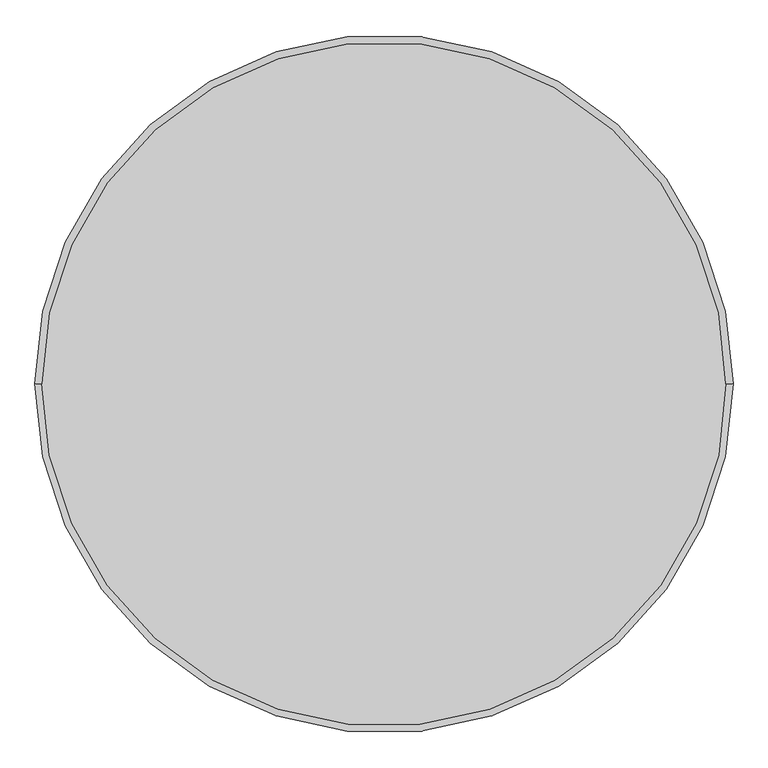
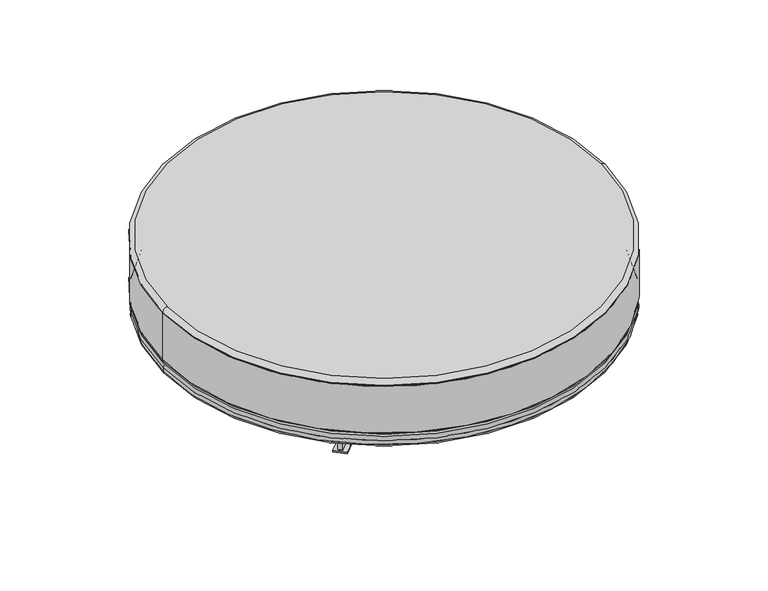
"""IFC4 building model written with IfcOpenShell, lengths in millimetres: furniture geometry."""

from ifc_helpers import new_model, si_unit, point, frame, frame_2d, origin, origin_with_axes, place, context, project, spatial, polyline, circle_curve, ellipse_curve, trimmed, segment, composite_curve, outline, extrude, source, transform, mapped, element, save
from ifc_brep_helpers import plane_surface, cylinder_surface, revolved_surface, advanced_brep


def furniture_8adcc388(model_context):
    return source(origin(), model_context, "Body", "SolidModel", [
        advanced_brep(
        [(608.5480441, 0.0, 197.3364528), (-608.5480441, 0.0, 197.3364528), (-608.5480441, 0.0, 199.9545565), (608.5480441, 0.0, 199.9545565), (596.2115913, 0.0, 185.0), (-596.2115913, 0.0, 185.0), (-608.5480441, 0.0, 336.2041477), (608.5480441, 0.0, 336.2041477), (608.5480441, 0.0, 338.8222514), (-608.5480441, 0.0, 338.8222514), (-596.2115913, 0.0, 351.1587042), (596.2115913, 0.0, 351.1587042)],
        [
            (0, 1, circle_curve(frame((0.0, 0.0, 197.3364528), z_axis=(0.0, 0.0, 1.0), x_axis=(-1.0, 0.0, 0.0)), 608.5480441)),
            (1, 2),
            (2, 3, circle_curve(frame((0.0, 0.0, 199.9545565), z_axis=(0.0, 0.0, -1.0), x_axis=(-1.0, 0.0, 0.0)), 608.5480441)),
            (3, 0),
            (0, 4, circle_curve(frame((596.2115913, 0.0, 197.3364528), z_axis=(0.0, 1.0, 0.0), x_axis=(-1.0, 0.0, 0.0)), 12.3364528)),
            (4, 5, circle_curve(frame((0.0, 0.0, 185.0), z_axis=(0.0, 0.0, 1.0), x_axis=(-1.0, 0.0, 0.0)), 596.2115913)),
            (5, 1, circle_curve(frame((-596.2115913, 0.0, 197.3364528), z_axis=(0.0, 1.0, 0.0), x_axis=(1.0, 0.0, 0.0)), 12.3364528)),
            (1, 0, circle_curve(frame((0.0, 0.0, 197.3364528), z_axis=(0.0, 0.0, 1.0), x_axis=(1.0, 0.0, 0.0)), 608.5480441)),
            (3, 2, circle_curve(frame((0.0, 0.0, 199.9545565), z_axis=(0.0, 0.0, -1.0), x_axis=(1.0, 0.0, 0.0)), 608.5480441)),
            (5, 4, circle_curve(frame((0.0, 0.0, 185.0), z_axis=(0.0, 0.0, 1.0), x_axis=(1.0, 0.0, 0.0)), 596.2115913)),
            (6, 2),
            (3, 7),
            (7, 6, circle_curve(frame((0.0, 0.0, 336.2041477), z_axis=(0.0, 0.0, -1.0), x_axis=(1.0, 0.0, 0.0)), 608.5480441)),
            (6, 7, circle_curve(frame((0.0, 0.0, 336.2041477), z_axis=(0.0, 0.0, -1.0), x_axis=(-1.0, 0.0, 0.0)), 608.5480441)),
            (8, 9, circle_curve(frame((0.0, 0.0, 338.8222514), z_axis=(0.0, 0.0, 1.0), x_axis=(-1.0, 0.0, 0.0)), 608.5480441)),
            (9, 10, circle_curve(frame((-596.2115913, 0.0, 338.8222514), z_axis=(0.0, 1.0, 0.0), x_axis=(1.0, 0.0, 0.0)), 12.3364528)),
            (10, 11, circle_curve(frame((0.0, 0.0, 351.1587042), z_axis=(0.0, 0.0, -1.0), x_axis=(-1.0, 0.0, 0.0)), 596.2115913)),
            (11, 8, circle_curve(frame((596.2115913, 0.0, 338.8222514), z_axis=(0.0, 1.0, 0.0), x_axis=(-1.0, 0.0, 0.0)), 12.3364528)),
            (8, 7),
            (6, 9),
            (10, 11, circle_curve(frame((0.0, 0.0, 351.1587042), z_axis=(0.0, 0.0, 1.0), x_axis=(1.0, 0.0, 0.0)), 596.2115913)),
            (9, 8, circle_curve(frame((0.0, 0.0, 338.8222514), z_axis=(0.0, 0.0, 1.0), x_axis=(1.0, 0.0, 0.0)), 608.5480441)),
        ],
        [
            cylinder_surface(frame((0.0, 0.0, 185.0), z_axis=(0.0, 0.0, -1.0), x_axis=(-1.0, 0.0, 0.0)), 608.5480441),
            revolved_surface(trimmed(ellipse_curve(frame((-596.2115913, 0.0, 197.3364528), z_axis=(0.0, -1.0, 0.0), x_axis=(1.0, 0.0, 0.0)), 12.3364528, 12.3364528), [point((-608.5480441, 0.0, 197.3364528))], [point((-596.2115913, 0.0, 185.0))], True, "CARTESIAN"), (0.0, 0.0, 185.0), (0.0, 0.0, -1.0)),
            cylinder_surface(frame((0.0, 0.0, 185.0), z_axis=(0.0, 0.0, -1.0), x_axis=(1.0, 0.0, 0.0)), 608.5480441),
            revolved_surface(trimmed(ellipse_curve(frame((596.2115913, 0.0, 197.3364528), z_axis=(0.0, 1.0, 0.0), x_axis=(-1.0, 0.0, 0.0)), 12.3364528, 12.3364528), [point((608.5480441, 0.0, 197.3364528))], [point((596.2115913, 0.0, 185.0))], True, "CARTESIAN"), (0.0, 0.0, 185.0), (0.0, 0.0, -1.0)),
            plane_surface(frame((0.0, 0.0, 185.0), z_axis=(0.0, 0.0, -1.0), x_axis=(1.0, 0.0, 0.0))),
            cylinder_surface(frame((0.0, 0.0, 199.9545565), z_axis=(0.0, 0.0, 1.0), x_axis=(1.0, 0.0, 0.0)), 608.5480441),
            cylinder_surface(frame((0.0, 0.0, 199.9545565), z_axis=(0.0, 0.0, 1.0), x_axis=(-1.0, 0.0, 0.0)), 608.5480441),
            revolved_surface(trimmed(ellipse_curve(frame((-596.2115913, 0.0, 338.8222514), z_axis=(0.0, -1.0, 0.0), x_axis=(1.0, 0.0, 0.0)), 12.3364528, 12.3364528), [point((-596.2115913, 0.0, 351.1587042))], [point((-608.5480441, 0.0, 338.8222514))], True, "CARTESIAN"), (0.0, 0.0, 351.1587042), (0.0, 0.0, -1.0)),
            cylinder_surface(frame((0.0, 0.0, 351.1587042), z_axis=(0.0, 0.0, -1.0), x_axis=(-1.0, 0.0, 0.0)), 608.5480441),
            plane_surface(frame((0.0, 0.0, 351.1587042), z_axis=(0.0, 0.0, 1.0), x_axis=(1.0, 0.0, 0.0))),
            revolved_surface(trimmed(ellipse_curve(frame((596.2115913, 0.0, 338.8222514), z_axis=(0.0, 1.0, 0.0), x_axis=(-1.0, 0.0, 0.0)), 12.3364528, 12.3364528), [point((596.2115913, 0.0, 351.1587042))], [point((608.5480441, 0.0, 338.8222514))], True, "CARTESIAN"), (0.0, 0.0, 351.1587042), (0.0, 0.0, -1.0)),
            cylinder_surface(frame((0.0, 0.0, 351.1587042), z_axis=(0.0, 0.0, -1.0), x_axis=(1.0, 0.0, 0.0)), 608.5480441),
        ],
        [
            (0, [[1, 2, 3, 4]]),
            (1, [[-1, 5, 6, 7]]),
            (2, [[-2, 8, -4, 9]]),
            (3, [[-7, 10, -5, -8]]),
            (4, [[-6, -10]]),
            (5, [[11, -9, 12, 13]]),
            (6, [[-11, 14, -12, -3]]),
            (7, [[15, 16, 17, 18]]),
            (8, [[-15, 19, -14, 20]]),
            (9, [[-17, 21]]),
            (10, [[-16, 22, -18, -21]]),
            (11, [[-20, -13, -19, -22]]),
        ],
    ),
        advanced_brep(
        [(-607.5, 0.0, 166.3040803), (607.5, 0.0, 166.3040803), (600.0, 0.0, 158.8040803), (-600.0, 0.0, 158.8040803), (-607.5, 0.0, 177.5), (607.5, 0.0, 177.5), (-600.0, 0.0, 185.0), (600.0, 0.0, 185.0)],
        [
            (0, 1, circle_curve(frame((0.0, 0.0, 166.3040803), z_axis=(0.0, 0.0, -1.0), x_axis=(1.0, 0.0, 0.0)), 607.5)),
            (1, 2, circle_curve(frame((600.0, 0.0, 166.3040803), z_axis=(0.0, 1.0, 0.0), x_axis=(-1.0, 0.0, 0.0)), 7.5)),
            (2, 3, circle_curve(frame((0.0, 0.0, 158.8040803), z_axis=(0.0, 0.0, 1.0), x_axis=(1.0, 0.0, 0.0)), 600.0)),
            (3, 0, circle_curve(frame((-600.0, 0.0, 166.3040803), z_axis=(0.0, 1.0, 0.0), x_axis=(1.0, 0.0, 0.0)), 7.5)),
            (0, 4),
            (4, 5, circle_curve(frame((0.0, 0.0, 177.5), z_axis=(0.0, 0.0, -1.0), x_axis=(1.0, 0.0, 0.0)), 607.5)),
            (5, 1),
            (4, 6, circle_curve(frame((-600.0, 0.0, 177.5), z_axis=(0.0, 1.0, 0.0), x_axis=(1.0, 0.0, 0.0)), 7.5)),
            (6, 7, circle_curve(frame((0.0, 0.0, 185.0), z_axis=(0.0, 0.0, -1.0), x_axis=(1.0, 0.0, 0.0)), 600.0)),
            (7, 5, circle_curve(frame((600.0, 0.0, 177.5), z_axis=(0.0, 1.0, 0.0), x_axis=(-1.0, 0.0, 0.0)), 7.5)),
            (6, 7, circle_curve(frame((0.0, 0.0, 185.0), z_axis=(0.0, 0.0, 1.0), x_axis=(-1.0, 0.0, 0.0)), 600.0)),
            (2, 3, circle_curve(frame((0.0, 0.0, 158.8040803), z_axis=(0.0, 0.0, -1.0), x_axis=(-1.0, 0.0, 0.0)), 600.0)),
            (1, 0, circle_curve(frame((0.0, 0.0, 166.3040803), z_axis=(0.0, 0.0, -1.0), x_axis=(-1.0, 0.0, 0.0)), 607.5)),
            (5, 4, circle_curve(frame((0.0, 0.0, 177.5), z_axis=(0.0, 0.0, -1.0), x_axis=(-1.0, 0.0, 0.0)), 607.5)),
        ],
        [
            revolved_surface(trimmed(ellipse_curve(frame((600.0, 0.0, 166.3040803), z_axis=(0.0, -1.0, 0.0), x_axis=(-1.0, 0.0, 0.0)), 7.5, 7.5), [point((600.0, 0.0, 158.8040803))], [point((607.5, 0.0, 166.3040803))], True, "CARTESIAN"), (0.0, 0.0, 158.8040803), (0.0, 0.0, 1.0)),
            cylinder_surface(frame((0.0, 0.0, 158.8040803), z_axis=(0.0, 0.0, 1.0), x_axis=(1.0, 0.0, 0.0)), 607.5),
            revolved_surface(trimmed(ellipse_curve(frame((600.0, 0.0, 177.5), z_axis=(0.0, -1.0, 0.0), x_axis=(-1.0, 0.0, 0.0)), 7.5, 7.5), [point((607.5, 0.0, 177.5))], [point((600.0, 0.0, 185.0))], True, "CARTESIAN"), (0.0, 0.0, 158.8040803), (0.0, 0.0, 1.0)),
            plane_surface(frame((0.0, 0.0, 185.0), z_axis=(0.0, 0.0, 1.0), x_axis=(-1.0, 0.0, 0.0))),
            plane_surface(frame((0.0, 0.0, 158.8040803), z_axis=(0.0, 0.0, -1.0), x_axis=(-1.0, 0.0, 0.0))),
            revolved_surface(trimmed(ellipse_curve(frame((-600.0, 0.0, 166.3040803), z_axis=(0.0, 1.0, 0.0), x_axis=(1.0, 0.0, 0.0)), 7.5, 7.5), [point((-600.0, 0.0, 158.8040803))], [point((-607.5, 0.0, 166.3040803))], True, "CARTESIAN"), (0.0, 0.0, 158.8040803), (0.0, 0.0, 1.0)),
            cylinder_surface(frame((0.0, 0.0, 158.8040803), z_axis=(0.0, 0.0, 1.0), x_axis=(-1.0, 0.0, 0.0)), 607.5),
            revolved_surface(trimmed(ellipse_curve(frame((-600.0, 0.0, 177.5), z_axis=(0.0, 1.0, 0.0), x_axis=(1.0, 0.0, 0.0)), 7.5, 7.5), [point((-607.5, 0.0, 177.5))], [point((-600.0, 0.0, 185.0))], True, "CARTESIAN"), (0.0, 0.0, 158.8040803), (0.0, 0.0, 1.0)),
        ],
        [
            (0, [[1, 2, 3, 4]]),
            (1, [[-1, 5, 6, 7]]),
            (2, [[-6, 8, 9, 10]]),
            (3, [[-9, 11]]),
            (4, [[-3, 12]]),
            (5, [[-2, 13, -4, -12]]),
            (6, [[-7, 14, -5, -13]]),
            (7, [[-10, -11, -8, -14]]),
        ],
    ),
        extrude(outline(polyline([(309.4888594, -285.7483007), (284.7401221, -310.497038), (247.9765888, -273.7335048), (272.7253262, -248.9847674), (309.4888594, -285.7483007)])), origin_with_axes(), (0.0, 0.0, 1.0), 5.0),
        extrude(outline(polyline([(-271.743301, 295.4838597), (-234.9797677, 258.7203264), (-259.728505, 233.9715891), (-296.4920383, 270.7351224), (-271.743301, 295.4838597)])), origin_with_axes(), (0.0, 0.0, 1.0), 5.0),
        extrude(outline(composite_curve([segment(polyline([(0.0, 0.0), (140.0069581, 0.0)]), True, "CONTINUOUS"), segment(trimmed(circle_curve(frame_2d((140.0069581, -5.0)), 5.0), [point((140.0069581, 0.0))], [point((145.0069581, -5.0))], False, "CARTESIAN"), True, "CONTINUOUS"), segment(polyline([(145.0069581, -5.0), (145.0069581, -94.9874953)]), True, "CONTINUOUS"), segment(trimmed(circle_curve(frame_2d((140.0069581, -94.9874953)), 5.0), [point((145.0069581, -94.9874953))], [point((140.0069581, -99.9874953))], False, "CARTESIAN"), True, "CONTINUOUS"), segment(polyline([(140.0069581, -99.9874953), (110.0044168, -99.9874953)]), True, "CONTINUOUS"), segment(trimmed(circle_curve(frame_2d((110.0044168, -94.9874953)), 5.0), [point((110.0044168, -99.9874953))], [point((105.0044168, -94.9874953))], False, "CARTESIAN"), True, "CONTINUOUS"), segment(polyline([(105.0044168, -94.9874953), (105.0044168, -44.9991126)]), True, "CONTINUOUS"), segment(trimmed(circle_curve(frame_2d((100.0044168, -44.9991126)), 5.0), [point((105.0044168, -44.9991126))], [point((100.0044168, -39.9991126))], True, "CARTESIAN"), True, "CONTINUOUS"), segment(polyline([(100.0044168, -39.9991126), (-620.0033878, -39.9991126)]), True, "CONTINUOUS"), segment(trimmed(circle_curve(frame_2d((-620.0033878, -44.9991126)), 5.0), [point((-620.0033878, -39.9991126))], [point((-625.0033878, -44.9991126))], True, "CARTESIAN"), True, "CONTINUOUS"), segment(polyline([(-625.0033878, -44.9991126), (-625.0033878, -94.9874953)]), True, "CONTINUOUS"), segment(trimmed(circle_curve(frame_2d((-630.0033878, -94.9874953)), 5.0), [point((-625.0033878, -94.9874953))], [point((-630.0033878, -99.9874953))], False, "CARTESIAN"), True, "CONTINUOUS"), segment(polyline([(-630.0033878, -99.9874953), (-659.9904999, -99.9874953)]), True, "CONTINUOUS"), segment(trimmed(circle_curve(frame_2d((-659.9904999, -94.9874953)), 5.0), [point((-659.9904999, -99.9874953))], [point((-664.9904999, -94.9874953))], False, "CARTESIAN"), True, "CONTINUOUS"), segment(polyline([(-664.9904999, -94.9874953), (-664.9904999, -5.0)]), True, "CONTINUOUS"), segment(trimmed(circle_curve(frame_2d((-659.9904999, -5.0)), 5.0), [point((-664.9904999, -5.0))], [point((-659.9904999, 0.0))], False, "CARTESIAN"), True, "CONTINUOUS"), segment(polyline([(-659.9904999, 0.0), (-519.9972566, 0.0)]), True, "CONTINUOUS"), segment(trimmed(circle_curve(frame_2d((-519.9972566, 5.0)), 5.0), [point((-519.9972566, 0.0))], [point((-514.9972566, 5.0))], True, "CARTESIAN"), True, "CONTINUOUS"), segment(polyline([(-514.9972566, 5.0), (-514.9972566, 58.8672007), (-5.0, 58.8672007), (-5.0, 5.0)]), True, "CONTINUOUS"), segment(trimmed(circle_curve(frame_2d((0.0, 5.0)), 5.0), [point((-5.0, 5.0))], [point((0.0, 0.0))], True, "CARTESIAN"), True, "CONTINUOUS")], self_intersect=False)), frame((-181.9446653, 171.7463463, 99.9874953), z_axis=(0.7071067811865478, 0.7071067811865472, 0.0), x_axis=(-0.7071067811865472, 0.7071067811865478, 0.0)), (0.0, 0.0, 1.0), 12.0),
        extrude(outline(polyline([(-280.7294789, -310.4256143), (-305.5868213, -285.7859607), (-268.9853289, -248.8610977), (-244.1279864, -273.5007513), (-280.7294789, -310.4256143)])), origin_with_axes(), (0.0, 0.0, 1.0), 5.0),
        extrude(outline(polyline([(297.9408132, 273.3571721), (261.3393207, 236.4323091), (236.4819783, 261.0719627), (273.0834707, 297.9968257), (297.9408132, 273.3571721)])), origin_with_axes(), (0.0, 0.0, 1.0), 5.0),
        extrude(outline(composite_curve([segment(trimmed(circle_curve(frame_2d((0.0, 5.0)), 5.0), [point((0.0, 0.0))], [point((5.0, 5.0))], True, "CARTESIAN"), True, "CONTINUOUS"), segment(polyline([(5.0, 5.0), (5.0, 58.8672007), (514.9972566, 58.8672007), (514.9972566, 5.0)]), True, "CONTINUOUS"), segment(trimmed(circle_curve(frame_2d((519.9972566, 5.0)), 5.0), [point((514.9972566, 5.0))], [point((519.9972566, 0.0))], True, "CARTESIAN"), True, "CONTINUOUS"), segment(polyline([(519.9972566, 0.0), (659.9904999, 0.0)]), True, "CONTINUOUS"), segment(trimmed(circle_curve(frame_2d((659.9904999, -5.0)), 5.0), [point((659.9904999, 0.0))], [point((664.9904999, -5.0))], False, "CARTESIAN"), True, "CONTINUOUS"), segment(polyline([(664.9904999, -5.0), (664.9904999, -94.9874953)]), True, "CONTINUOUS"), segment(trimmed(circle_curve(frame_2d((659.9904999, -94.9874953)), 5.0), [point((664.9904999, -94.9874953))], [point((659.9904999, -99.9874953))], False, "CARTESIAN"), True, "CONTINUOUS"), segment(polyline([(659.9904999, -99.9874953), (630.0033878, -99.9874953)]), True, "CONTINUOUS"), segment(trimmed(circle_curve(frame_2d((630.0033878, -94.9874953)), 5.0), [point((630.0033878, -99.9874953))], [point((625.0033878, -94.9874953))], False, "CARTESIAN"), True, "CONTINUOUS"), segment(polyline([(625.0033878, -94.9874953), (625.0033878, -44.9991126)]), True, "CONTINUOUS"), segment(trimmed(circle_curve(frame_2d((620.0033878, -44.9991126)), 5.0), [point((625.0033878, -44.9991126))], [point((620.0033878, -39.9991126))], True, "CARTESIAN"), True, "CONTINUOUS"), segment(polyline([(620.0033878, -39.9991126), (-100.0044169, -39.9991126)]), True, "CONTINUOUS"), segment(trimmed(circle_curve(frame_2d((-100.0044169, -44.9991126)), 5.0), [point((-100.0044169, -39.9991126))], [point((-105.0044169, -44.9991126))], True, "CARTESIAN"), True, "CONTINUOUS"), segment(polyline([(-105.0044169, -44.9991126), (-105.0044169, -94.9874953)]), True, "CONTINUOUS"), segment(trimmed(circle_curve(frame_2d((-110.0044169, -94.9874953)), 5.0), [point((-105.0044169, -94.9874953))], [point((-110.0044169, -99.9874953))], False, "CARTESIAN"), True, "CONTINUOUS"), segment(polyline([(-110.0044169, -99.9874953), (-140.0069582, -99.9874953)]), True, "CONTINUOUS"), segment(trimmed(circle_curve(frame_2d((-140.0069582, -94.9874953)), 5.0), [point((-140.0069582, -99.9874953))], [point((-145.0069582, -94.9874953))], False, "CARTESIAN"), True, "CONTINUOUS"), segment(polyline([(-145.0069582, -94.9874953), (-145.0069582, -5.0)]), True, "CONTINUOUS"), segment(trimmed(circle_curve(frame_2d((-140.0069582, -5.0)), 5.0), [point((-145.0069582, -5.0))], [point((-140.0069582, 0.0))], False, "CARTESIAN"), True, "CONTINUOUS"), segment(polyline([(-140.0069582, 0.0), (0.0, 0.0)]), True, "CONTINUOUS")], self_intersect=False)), frame((183.1219464, 174.5673286, 99.9874953), z_axis=(-0.7102097838155443, 0.7039901014735064, 0.0), x_axis=(-0.7039901014735064, -0.7102097838155443, 0.0)), (0.0, 0.0, 1.0), 12.0),
    ])


if __name__ == "__main__":
    model = new_model("IFC4")
    model_context = context("Model", 3, world=origin())
    ifc_project = project(units=[si_unit("LENGTHUNIT", "METRE", prefix="MILLI")], contexts=[model_context])
    site = spatial("IfcSite", under=ifc_project)
    building = spatial("IfcBuilding", under=site)
    placement = place(None, origin())
    furniture_shape = furniture_8adcc388(model_context)
    element("IfcFurniture", 1, at=placement, inside=building, context=model_context, shape_type="MappedRepresentation", body=[
        mapped(furniture_shape, transform((0.0, 0.0, 0.0), x_axis=(1.0, 0.0, 0.0), y_axis=(0.0, 1.0, 0.0), z_axis=(0.0, 0.0, 1.0))),
    ])
    save(model, "model.ifc")
